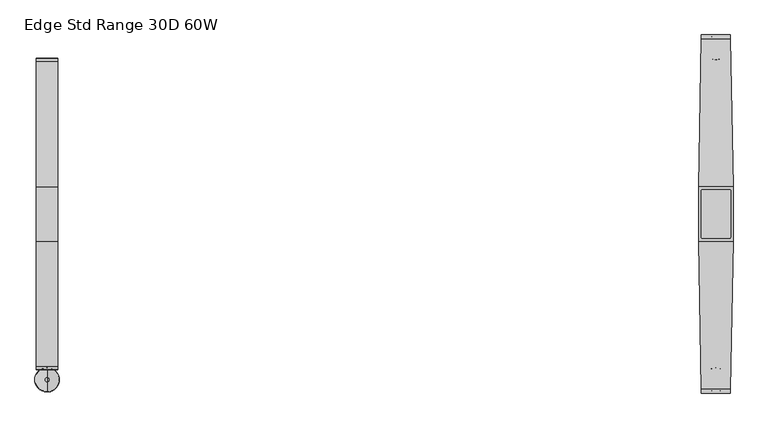
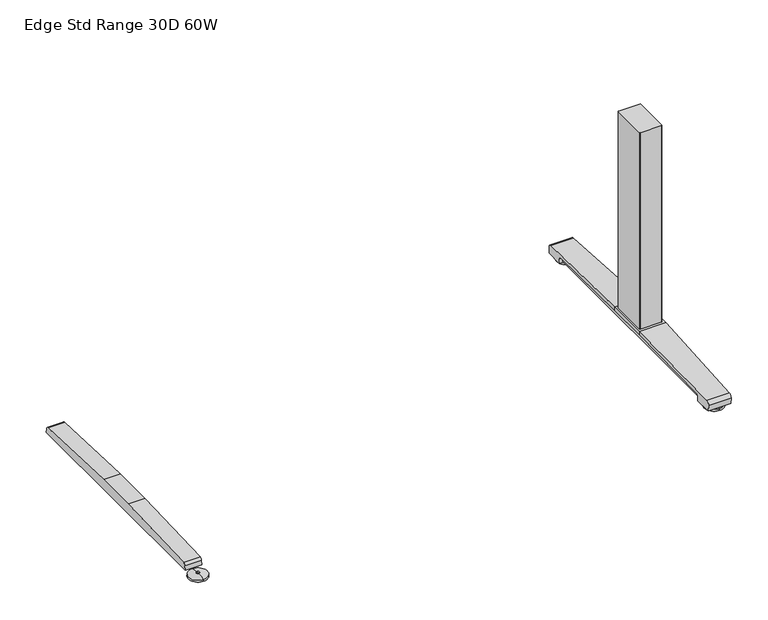
"""IFC4 building model written with IfcOpenShell, lengths in millimetres: furniture geometry, Edge Std Range 30D 60W."""

from ifc_helpers import new_model, si_unit, point, frame, frame_2d, origin, place, context, project, spatial, polyline, circle_curve, ellipse_curve, trimmed, segment, composite_curve, outline, extrude, source, transform, mapped, element, save
from ifc_brep_helpers import plane_surface, cylinder_surface, revolved_surface, advanced_brep


def edge_std_range_30d_60w_9026fa4e(model_context):
    return source(origin(), model_context, "Body", "SolidModel", [
        advanced_brep(
        [(-684.276, -364.1643617, 0.0), (-684.276, -313.9743384, 0.0), (-684.276, -339.06935, 0.0), (-684.276, -364.0796512, 5.0038001), (-684.276, -314.0590489, 5.0038001), (-684.276, -343.0698499, 8.4327997), (-684.276, -335.0688501, 8.4327997), (-684.276, -343.0698499, 10.0423733), (-684.276, -335.0688501, 10.0423733), (-684.276, -339.06935, 10.0423733)],
        [
            (0, 1, circle_curve(frame((-684.276, -339.06935, 0.0), z_axis=(0.0, 0.0, -1.0), x_axis=(0.0, 1.0, 0.0)), 25.0950117)),
            (1, 2),
            (2, 0),
            (1, 0, circle_curve(frame((-684.276, -339.06935, 0.0), z_axis=(0.0, 0.0, -1.0), x_axis=(0.0, 1.0, 0.0)), 25.0950117)),
            (3, 4, circle_curve(frame((-684.276, -339.06935, 5.0038001), z_axis=(0.0, 0.0, -1.0), x_axis=(0.0, 1.0, 0.0)), 25.0103012)),
            (4, 1),
            (0, 3),
            (4, 3, circle_curve(frame((-684.276, -339.06935, 5.0038001), z_axis=(0.0, 0.0, -1.0), x_axis=(0.0, 1.0, 0.0)), 25.0103012)),
            (5, 6, circle_curve(frame((-684.276, -339.06935, 8.4327997), z_axis=(0.0, 0.0, -1.0), x_axis=(0.0, 1.0, 0.0)), 4.0004999)),
            (6, 4, circle_curve(frame((-684.276, -335.0368668, -57.4502444), z_axis=(-1.0, 0.0, 0.0), x_axis=(0.0, 1.0, 0.0)), 65.8830518)),
            (3, 5, circle_curve(frame((-684.276, -343.1018333, -57.4502444), z_axis=(-1.0, 0.0, 0.0), x_axis=(0.0, -1.0, 0.0)), 65.8830518)),
            (6, 5, circle_curve(frame((-684.276, -339.06935, 8.4327997), z_axis=(0.0, 0.0, -1.0), x_axis=(0.0, 1.0, 0.0)), 4.0004999)),
            (7, 8, circle_curve(frame((-684.276, -339.06935, 10.0423733), z_axis=(0.0, 0.0, -1.0), x_axis=(0.0, 1.0, 0.0)), 4.0004999)),
            (8, 6),
            (5, 7),
            (8, 7, circle_curve(frame((-684.276, -339.06935, 10.0423733), z_axis=(0.0, 0.0, -1.0), x_axis=(0.0, 1.0, 0.0)), 4.0004999)),
            (9, 8),
            (7, 9),
        ],
        [
            plane_surface(frame((-684.276, -339.06935, 0.0), z_axis=(0.0, 0.0, -1.0), x_axis=(0.0, 1.0, 0.0))),
            revolved_surface(polyline([(-684.276, -313.9743384, 0.0), (-684.276, -314.0590489, 5.0038001)]), (-684.276, -339.06935, 0.0), (0.0, 0.0, 1.0)),
            revolved_surface(trimmed(ellipse_curve(frame((-684.276, -335.0368668, -57.4502444), z_axis=(1.0, 0.0, 0.0), x_axis=(0.0, 1.0, 0.0)), 65.8830518, 65.8830518), [point((-684.276, -314.0590489, 5.0038001))], [point((-684.276, -335.0688501, 8.4327997))], True, "CARTESIAN"), (-684.276, -339.06935, 0.0), (0.0, 0.0, 1.0)),
            cylinder_surface(frame((-684.276, -339.06935, 0.0), z_axis=(0.0, 0.0, 1.0), x_axis=(0.0, 1.0, 0.0)), 4.0004999),
            plane_surface(frame((-684.276, -339.06935, 10.0423733), z_axis=(0.0, 0.0, 1.0), x_axis=(0.0, 1.0, 0.0))),
        ],
        [
            (0, [[1, 2, 3]]),
            (0, [[4, -3, -2]]),
            (1, [[5, 6, -1, 7]]),
            (1, [[8, -7, -4, -6]]),
            (2, [[9, 10, -5, 11]]),
            (2, [[12, -11, -8, -10]]),
            (3, [[13, 14, -9, 15]]),
            (3, [[16, -15, -12, -14]]),
            (4, [[17, -13, 18]]),
            (4, [[-18, -16, -17]]),
        ],
    ),
        extrude(outline(composite_curve([segment(polyline([(317.3152602, 22.833301), (318.3038309, 11.5339019), (-318.3038309, 11.5339019), (-317.3152602, 22.833301)]), True, "CONTINUOUS"), segment(trimmed(circle_curve(frame_2d((-310.4929906, 22.2364289)), 6.8483297), [point((-317.3152602, 22.833301))], [point((-311.3603185, 29.0296138))], False, "CARTESIAN"), True, "CONTINUOUS"), segment(polyline([(-311.3603185, 29.0296138), (-56.1182127, 38.9541198), (56.1182127, 38.9541198), (311.3603185, 29.0296138)]), True, "CONTINUOUS"), segment(trimmed(circle_curve(frame_2d((310.4929906, 22.2364289)), 6.8483297), [point((311.3603185, 29.0296138))], [point((317.3152602, 22.833301))], False, "CARTESIAN"), True, "CONTINUOUS")], self_intersect=False)), frame((-706.2724, 0.0, 0.0), z_axis=(1.0, 0.0, 0.0), x_axis=(0.0, 1.0, 0.0)), (0.0, 0.0, 1.0), 43.9928),
        extrude(outline(composite_curve([segment(trimmed(circle_curve(frame_2d((711.8521079, 47.6421079)), 2.3323921), [point((711.8521079, 49.9745))], [point((714.1845, 47.6421079))], False, "CARTESIAN"), True, "CONTINUOUS"), segment(polyline([(714.1845, 47.6421079), (714.1845, -47.6421079)]), True, "CONTINUOUS"), segment(trimmed(circle_curve(frame_2d((711.8521079, -47.6421079)), 2.3323921), [point((714.1845, -47.6421079))], [point((711.8521079, -49.9745))], False, "CARTESIAN"), True, "CONTINUOUS"), segment(polyline([(711.8521079, -49.9745), (656.6998921, -49.9745)]), True, "CONTINUOUS"), segment(trimmed(circle_curve(frame_2d((656.6998921, -47.6421079)), 2.3323921), [point((656.6998921, -49.9745))], [point((654.3675, -47.6421079))], False, "CARTESIAN"), True, "CONTINUOUS"), segment(polyline([(654.3675, -47.6421079), (654.3675, 47.6421079)]), True, "CONTINUOUS"), segment(trimmed(circle_curve(frame_2d((656.6998921, 47.6421079)), 2.3323921), [point((654.3675, 47.6421079))], [point((656.6998921, 49.9745))], False, "CARTESIAN"), True, "CONTINUOUS"), segment(polyline([(656.6998921, 49.9745), (711.8521079, 49.9745)]), True, "CONTINUOUS")], self_intersect=False)), frame((0.0, 0.0, 48.10013), z_axis=(0.0, 0.0, 1.0), x_axis=(1.0, 0.0, 0.0)), (0.0, 0.0, 1.0), 550.9989485),
        advanced_brep(
        [(684.276, 314.8489737, 0.0), (684.276, 365.038997, 0.0), (684.276, 339.9439854, 0.0), (684.276, 314.9336842, 5.0038001), (684.276, 364.9542866, 5.0038001), (684.276, 335.9434855, 8.4327997), (684.276, 343.9444853, 8.4327997), (684.276, 335.9434855, 10.0423733), (684.276, 343.9444853, 10.0423733), (684.276, 339.9439854, 10.0423733)],
        [
            (0, 1, circle_curve(frame((684.276, 339.9439854, 0.0), z_axis=(0.0, 0.0, -1.0), x_axis=(0.0, 1.0, 0.0)), 25.0950117)),
            (1, 2),
            (2, 0),
            (1, 0, circle_curve(frame((684.276, 339.9439854, 0.0), z_axis=(0.0, 0.0, -1.0), x_axis=(0.0, 1.0, 0.0)), 25.0950117)),
            (3, 4, circle_curve(frame((684.276, 339.9439854, 5.0038001), z_axis=(0.0, 0.0, -1.0), x_axis=(0.0, 1.0, 0.0)), 25.0103012)),
            (4, 1),
            (0, 3),
            (4, 3, circle_curve(frame((684.276, 339.9439854, 5.0038001), z_axis=(0.0, 0.0, -1.0), x_axis=(0.0, 1.0, 0.0)), 25.0103012)),
            (5, 6, circle_curve(frame((684.276, 339.9439854, 8.4327997), z_axis=(0.0, 0.0, -1.0), x_axis=(0.0, 1.0, 0.0)), 4.0004999)),
            (6, 4, circle_curve(frame((684.276, 343.9764687, -57.4502444), z_axis=(-1.0, 0.0, 0.0), x_axis=(0.0, 1.0, 0.0)), 65.8830518)),
            (3, 5, circle_curve(frame((684.276, 335.9115021, -57.4502444), z_axis=(-1.0, 0.0, 0.0), x_axis=(0.0, -1.0, 0.0)), 65.8830518)),
            (6, 5, circle_curve(frame((684.276, 339.9439854, 8.4327997), z_axis=(0.0, 0.0, -1.0), x_axis=(0.0, 1.0, 0.0)), 4.0004999)),
            (7, 8, circle_curve(frame((684.276, 339.9439854, 10.0423733), z_axis=(0.0, 0.0, -1.0), x_axis=(0.0, 1.0, 0.0)), 4.0004999)),
            (8, 6),
            (5, 7),
            (8, 7, circle_curve(frame((684.276, 339.9439854, 10.0423733), z_axis=(0.0, 0.0, -1.0), x_axis=(0.0, 1.0, 0.0)), 4.0004999)),
            (9, 8),
            (7, 9),
        ],
        [
            plane_surface(frame((684.276, 339.9439854, 0.0), z_axis=(0.0, 0.0, -1.0), x_axis=(0.0, 1.0, 0.0))),
            revolved_surface(polyline([(684.276, 365.038997, 0.0), (684.276, 364.9542866, 5.0038001)]), (684.276, 339.9439854, 0.0), (0.0, 0.0, 1.0)),
            revolved_surface(trimmed(ellipse_curve(frame((684.276, 343.9764687, -57.4502444), z_axis=(1.0, 0.0, 0.0), x_axis=(0.0, 1.0, 0.0)), 65.8830518, 65.8830518), [point((684.276, 364.9542866, 5.0038001))], [point((684.276, 343.9444853, 8.4327997))], True, "CARTESIAN"), (684.276, 339.9439854, 0.0), (0.0, 0.0, 1.0)),
            cylinder_surface(frame((684.276, 339.9439854, 0.0), z_axis=(0.0, 0.0, 1.0), x_axis=(0.0, 1.0, 0.0)), 4.0004999),
            plane_surface(frame((684.276, 339.9439854, 10.0423733), z_axis=(0.0, 0.0, 1.0), x_axis=(0.0, 1.0, 0.0))),
        ],
        [
            (0, [[1, 2, 3]]),
            (0, [[4, -3, -2]]),
            (1, [[5, 6, -1, 7]]),
            (1, [[8, -7, -4, -6]]),
            (2, [[9, 10, -5, 11]]),
            (2, [[12, -11, -8, -10]]),
            (3, [[13, 14, -9, 15]]),
            (3, [[16, -15, -12, -14]]),
            (4, [[17, -13, 18]]),
            (4, [[-18, -16, -17]]),
        ],
    ),
        advanced_brep(
        [(684.276, -364.1643617, 0.0), (684.276, -313.9743384, 0.0), (684.276, -339.06935, 0.0), (684.276, -364.0796512, 5.0038001), (684.276, -314.0590489, 5.0038001), (684.276, -343.0698499, 8.4327997), (684.276, -335.0688501, 8.4327997), (684.276, -343.0698499, 10.0423733), (684.276, -335.0688501, 10.0423733), (684.276, -339.06935, 10.0423733)],
        [
            (0, 1, circle_curve(frame((684.276, -339.06935, 0.0), z_axis=(0.0, 0.0, -1.0), x_axis=(0.0, 1.0, 0.0)), 25.0950117)),
            (1, 2),
            (2, 0),
            (1, 0, circle_curve(frame((684.276, -339.06935, 0.0), z_axis=(0.0, 0.0, -1.0), x_axis=(0.0, 1.0, 0.0)), 25.0950117)),
            (3, 4, circle_curve(frame((684.276, -339.06935, 5.0038001), z_axis=(0.0, 0.0, -1.0), x_axis=(0.0, 1.0, 0.0)), 25.0103012)),
            (4, 1),
            (0, 3),
            (4, 3, circle_curve(frame((684.276, -339.06935, 5.0038001), z_axis=(0.0, 0.0, -1.0), x_axis=(0.0, 1.0, 0.0)), 25.0103012)),
            (5, 6, circle_curve(frame((684.276, -339.06935, 8.4327997), z_axis=(0.0, 0.0, -1.0), x_axis=(0.0, 1.0, 0.0)), 4.0004999)),
            (6, 4, circle_curve(frame((684.276, -335.0368668, -57.4502444), z_axis=(-1.0, 0.0, 0.0), x_axis=(0.0, 1.0, 0.0)), 65.8830518)),
            (3, 5, circle_curve(frame((684.276, -343.1018333, -57.4502444), z_axis=(-1.0, 0.0, 0.0), x_axis=(0.0, -1.0, 0.0)), 65.8830518)),
            (6, 5, circle_curve(frame((684.276, -339.06935, 8.4327997), z_axis=(0.0, 0.0, -1.0), x_axis=(0.0, 1.0, 0.0)), 4.0004999)),
            (7, 8, circle_curve(frame((684.276, -339.06935, 10.0423733), z_axis=(0.0, 0.0, -1.0), x_axis=(0.0, 1.0, 0.0)), 4.0004999)),
            (8, 6),
            (5, 7),
            (8, 7, circle_curve(frame((684.276, -339.06935, 10.0423733), z_axis=(0.0, 0.0, -1.0), x_axis=(0.0, 1.0, 0.0)), 4.0004999)),
            (9, 8),
            (7, 9),
        ],
        [
            plane_surface(frame((684.276, -339.06935, 0.0), z_axis=(0.0, 0.0, -1.0), x_axis=(0.0, 1.0, 0.0))),
            revolved_surface(polyline([(684.276, -313.9743384, 0.0), (684.276, -314.0590489, 5.0038001)]), (684.276, -339.06935, 0.0), (0.0, 0.0, 1.0)),
            revolved_surface(trimmed(ellipse_curve(frame((684.276, -335.0368668, -57.4502444), z_axis=(1.0, 0.0, 0.0), x_axis=(0.0, 1.0, 0.0)), 65.8830518, 65.8830518), [point((684.276, -314.0590489, 5.0038001))], [point((684.276, -335.0688501, 8.4327997))], True, "CARTESIAN"), (684.276, -339.06935, 0.0), (0.0, 0.0, 1.0)),
            cylinder_surface(frame((684.276, -339.06935, 0.0), z_axis=(0.0, 0.0, 1.0), x_axis=(0.0, 1.0, 0.0)), 4.0004999),
            plane_surface(frame((684.276, -339.06935, 10.0423733), z_axis=(0.0, 0.0, 1.0), x_axis=(0.0, 1.0, 0.0))),
        ],
        [
            (0, [[1, 2, 3]]),
            (0, [[4, -3, -2]]),
            (1, [[5, 6, -1, 7]]),
            (1, [[8, -7, -4, -6]]),
            (2, [[9, 10, -5, 11]]),
            (2, [[12, -11, -8, -10]]),
            (3, [[13, 14, -9, 15]]),
            (3, [[16, -15, -12, -14]]),
            (4, [[17, -13, 18]]),
            (4, [[-18, -16, -17]]),
        ],
    ),
        extrude(outline(polyline([(719.4068382, 56.1182127), (719.4068382, -56.1182127), (649.1451618, -56.1182127), (649.1451618, 56.1182127), (719.4068382, 56.1182127)])), frame((0.0, 0.0, 38.9541198), z_axis=(0.0, 0.0, 1.0), x_axis=(1.0, 0.0, 0.0)), (0.0, 0.0, 1.0), 9.1460102),
        advanced_brep(
        [(713.9505896, 366.395, 26.8186), (714.0822575, 358.907527, 35.7787117), (719.4068382, 56.1182127, 48.10013), (719.4068382, 56.1182127, 38.9541198), (714.91838, 311.3603185, 29.0296138), (714.8136618, 317.3152602, 22.833301), (714.7939845, 318.4342309, 10.0434261), (713.9760047, 364.9497362, 10.041053), (654.4701004, 358.907527, 35.7787117), (654.6017683, 366.395, 26.8186), (654.5763532, 364.9497362, 10.041053), (653.7583734, 318.4342309, 10.0434261), (653.7386962, 317.3152602, 22.833301), (653.6339779, 311.3603185, 29.0296138), (649.1455196, 56.1182064, 38.9541201), (649.1455197, 56.1182127, 48.10013)],
        [
            (0, 1, ellipse_curve(frame((714.095738, 358.1409412, 27.5296273), z_axis=(0.9998454179622464, 0.017582382657107536, 0.0), x_axis=(0.0175823826571035, -0.9998454179622464, 0.0)), 8.285908, 8.2846272)),
            (1, 2, ellipse_curve(frame((744.3288072, -1361.1024809, -38505.5680807), z_axis=(0.9998454179622464, 0.017582382657107536, 0.0), x_axis=(0.0175823826571035, -0.9998454179622464, 0.0)), 38585.6723619, 38579.7077101)),
            (2, 3),
            (3, 4),
            (4, 5, ellipse_curve(frame((714.9336321, 310.4929906, 22.2364289), z_axis=(-0.9998454179622464, -0.017582382657107536, 0.0), x_axis=(-0.0175823826571035, 0.9998454179622464, 0.0)), 6.8493884, 6.8483297)),
            (5, 6),
            (6, 7),
            (7, 0),
            (8, 9, ellipse_curve(frame((654.4566199, 358.1409412, 27.5296273), z_axis=(-0.9998454179622479, 0.01758238265702136, 0.0), x_axis=(0.017582382657016074, 0.9998454179622479, 0.0)), 8.285908, 8.2846272)),
            (9, 10),
            (10, 11),
            (11, 12),
            (12, 13, ellipse_curve(frame((653.6187259, 310.4929906, 22.2364289), z_axis=(0.9998454179622479, -0.01758238265702136, 0.0), x_axis=(-0.017582382657016074, -0.9998454179622479, 0.0)), 6.8493884, 6.8483297)),
            (13, 14),
            (14, 15),
            (15, 8, ellipse_curve(frame((624.2235507, -1361.1024809, -38505.5680807), z_axis=(-0.9998454179622479, 0.01758238265702136, 0.0), x_axis=(0.017582382657016074, 0.9998454179622479, 0.0)), 38585.6723619, 38579.7077101)),
            (0, 9),
            (8, 1),
            (7, 10),
            (6, 11),
            (5, 12),
            (4, 13),
            (3, 14),
            (2, 15),
        ],
        [
            plane_surface(frame((713.9226732, 367.9825, 48.10013), z_axis=(0.9998454179622464, 0.017582382657107536, 0.0), x_axis=(0.0, 0.0, -1.0))),
            plane_surface(frame((649.1455197, 56.1182127, 48.10013), z_axis=(-0.9998454179622479, 0.01758238265702136, 0.0), x_axis=(0.0, 0.0, -1.0))),
            cylinder_surface(frame((649.1451618, 358.1409412, 27.5296273), z_axis=(1.0, 0.0, 0.0), x_axis=(0.0, 1.0, 0.0)), 8.2846272),
            plane_surface(frame((719.4068382, 364.9497362, 10.041053), z_axis=(0.0, 0.996310236870306, -0.08582489095498451), x_axis=(-1.0, 0.0, 0.0))),
            plane_surface(frame((719.4068382, 318.4342309, 10.0434261), z_axis=(0.0, -5.101798419271786e-05, -0.9999999986985827), x_axis=(-1.0, 0.0, 0.0))),
            plane_surface(frame((719.4068382, 317.3152602, 22.833301), z_axis=(0.0, -0.9961946873837872, -0.08715586514009506), x_axis=(-1.0, 0.0, 0.0))),
            revolved_surface(polyline([(653.4982973321846, 317.3413203, 22.2364289), (715.0540606678159, 317.3413203, 22.2364289)]), (649.1451618, 310.4929906, 22.2364289), (-1.0, 0.0, 0.0)),
            plane_surface(frame((719.4068382, 56.1182127, 38.9541198), z_axis=(0.0, -0.03885335543744916, -0.9992449233152257), x_axis=(-1.0, 0.0, 0.0))),
            plane_surface(frame((719.4068382, 56.1182127, 48.10013), z_axis=(0.0, -1.0, 0.0), x_axis=(-1.0, 0.0, 0.0))),
            cylinder_surface(frame((649.1451618, -1361.1024809, -38505.5680807), z_axis=(1.0, 0.0, 0.0), x_axis=(0.0, 1.0, 0.0)), 38579.7077101),
        ],
        [
            (0, [[1, 2, 3, 4, 5, 6, 7, 8]]),
            (1, [[9, 10, 11, 12, 13, 14, 15, 16]]),
            (2, [[17, -9, 18, -1]]),
            (3, [[-17, -8, 19, -10]]),
            (4, [[-19, -7, 20, -11]]),
            (5, [[-20, -6, 21, -12]]),
            (6, [[-21, -5, 22, -13]]),
            (7, [[23, -14, -22, -4]]),
            (8, [[-23, -3, 24, -15]]),
            (9, [[-24, -2, -18, -16]]),
        ],
    ),
        extrude(outline(composite_curve([segment(polyline([(317.3152602, 22.833301), (318.3038309, 11.5339019), (-318.3038309, 11.5339019), (-317.3152602, 22.833301)]), True, "CONTINUOUS"), segment(trimmed(circle_curve(frame_2d((-310.4929906, 22.2364289)), 6.8483297), [point((-317.3152602, 22.833301))], [point((-311.3603185, 29.0296138))], False, "CARTESIAN"), True, "CONTINUOUS"), segment(polyline([(-311.3603185, 29.0296138), (-56.1182127, 38.9541198), (56.1182127, 38.9541198), (311.3603185, 29.0296138)]), True, "CONTINUOUS"), segment(trimmed(circle_curve(frame_2d((310.4929906, 22.2364289)), 6.8483297), [point((311.3603185, 29.0296138))], [point((317.3152602, 22.833301))], False, "CARTESIAN"), True, "CONTINUOUS")], self_intersect=False)), frame((662.2796, 0.0, 0.0), z_axis=(1.0, 0.0, 0.0), x_axis=(0.0, 1.0, 0.0)), (0.0, 0.0, 1.0), 43.9928),
        advanced_brep(
        [(714.0822575, -358.907527, 35.7787117), (654.4701004, -358.907527, 35.7787117), (654.6017683, -366.395, 26.8186), (713.9505896, -366.395, 26.8186), (654.5763532, -364.9497362, 10.041053), (713.9760047, -364.9497362, 10.041053), (653.7583734, -318.4342309, 10.0434261), (714.7939845, -318.4342309, 10.0434261), (653.7386962, -317.3152602, 22.833301), (714.8136618, -317.3152602, 22.833301), (653.6339779, -311.3603185, 29.0296138), (714.91838, -311.3603185, 29.0296138), (649.1451618, -56.1182127, 38.9541198), (719.4068382, -56.1182127, 38.9541198), (649.1455197, -56.1182127, 48.10013), (719.4068382, -56.1182127, 48.10013)],
        [
            (0, 1),
            (1, 2, ellipse_curve(frame((654.4566199, -358.1409412, 27.5296273), z_axis=(0.9998454179622465, 0.017582382657103688, 0.0), x_axis=(0.01758238265709472, -0.9998454179622466, 0.0)), 8.285908, 8.2846272)),
            (2, 3),
            (3, 0, ellipse_curve(frame((714.095738, -358.1409412, 27.5296273), z_axis=(-0.9998454179622464, 0.01758238265710631, 0.0), x_axis=(0.017582382657107924, 0.9998454179622464, 0.0)), 8.285908, 8.2846272)),
            (2, 4),
            (4, 5),
            (5, 3),
            (4, 6),
            (6, 7),
            (7, 5),
            (6, 8),
            (8, 9),
            (9, 7),
            (8, 10, ellipse_curve(frame((653.6187259, -310.4929906, 22.2364289), z_axis=(-0.9998454179622465, -0.017582382657103688, 0.0), x_axis=(-0.01758238265709472, 0.9998454179622466, 0.0)), 6.8493884, 6.8483297)),
            (10, 11),
            (11, 9, ellipse_curve(frame((714.9336321, -310.4929906, 22.2364289), z_axis=(0.9998454179622464, -0.01758238265710631, 0.0), x_axis=(-0.017582382657107924, -0.9998454179622464, 0.0)), 6.8493884, 6.8483297)),
            (12, 13),
            (13, 11),
            (10, 12),
            (12, 14),
            (14, 15),
            (15, 13),
            (15, 0, ellipse_curve(frame((744.3288072, 1361.1024809, -38505.568082), z_axis=(0.9998454179622464, -0.01758238265710631, 0.0), x_axis=(0.017582382657107924, 0.9998454179622464, 0.0)), 38585.6723633, 38579.7077114)),
            (1, 14, ellipse_curve(frame((624.2235507, 1361.1024809, -38505.568082), z_axis=(-0.9998454179622465, -0.017582382657103688, 0.0), x_axis=(0.01758238265709472, -0.9998454179622466, 0.0)), 38585.6723633, 38579.7077114)),
        ],
        [
            cylinder_surface(frame((649.1451618, -358.1409412, 27.5296273), z_axis=(1.0, 0.0, 0.0), x_axis=(0.0, 1.0, 0.0)), 8.2846272),
            plane_surface(frame((719.4068382, -366.395, 26.8186), z_axis=(0.0, -0.9963102368705575, -0.08582489095206428), x_axis=(-1.0, 0.0, 0.0))),
            plane_surface(frame((719.4068382, -364.9497362, 10.041053), z_axis=(0.0, 5.10179839128194e-05, -0.9999999986985827), x_axis=(-1.0, 0.0, 0.0))),
            plane_surface(frame((719.4068382, -318.4342309, 10.0434261), z_axis=(0.0, 0.9961946873837977, -0.08715586513997582), x_axis=(-1.0, 0.0, 0.0))),
            revolved_surface(polyline([(653.498297332184, -303.64466089999996, 22.2364289), (715.0540606678159, -303.64466089999996, 22.2364289)]), (649.1451618, -310.4929906, 22.2364289), (-1.0, 0.0, 0.0)),
            plane_surface(frame((719.4068382, -311.3603185, 29.0296138), z_axis=(0.0, 0.03885335543746911, -0.999244923315225), x_axis=(-1.0, 0.0, 0.0))),
            plane_surface(frame((719.4068382, -56.1182127, 38.9541198), z_axis=(0.0, 1.0, 0.0), x_axis=(-1.0, 0.0, 0.0))),
            plane_surface(frame((719.4068382, -56.1182127, 48.10013), z_axis=(0.9998454179622464, -0.01758238265710631, 0.0), x_axis=(0.0, 0.0, -1.0))),
            plane_surface(frame((654.6296847, -367.9825, 48.10013), z_axis=(-0.9998454179622465, -0.017582382657103688, 0.0), x_axis=(0.0, 0.0, -1.0))),
            cylinder_surface(frame((649.1451618, 1361.1024809, -38505.568082), z_axis=(1.0, 0.0, 0.0), x_axis=(0.0, 1.0, 0.0)), 38579.7077114),
        ],
        [
            (0, [[1, 2, 3, 4]]),
            (1, [[-3, 5, 6, 7]]),
            (2, [[-6, 8, 9, 10]]),
            (3, [[-9, 11, 12, 13]]),
            (4, [[-12, 14, 15, 16]]),
            (5, [[17, 18, -15, 19]]),
            (6, [[-17, 20, 21, 22]]),
            (7, [[-4, -7, -10, -13, -16, -18, -22, 23]]),
            (8, [[-2, 24, -20, -19, -14, -11, -8, -5]]),
            (9, [[-21, -24, -1, -23]]),
        ],
    ),
    ])


if __name__ == "__main__":
    model = new_model("IFC4")
    model_context = context("Model", 3, world=origin())
    ifc_project = project(units=[si_unit("LENGTHUNIT", "METRE", prefix="MILLI")], contexts=[model_context])
    site = spatial("IfcSite", under=ifc_project)
    building = spatial("IfcBuilding", under=site)
    placement = place(None, origin())
    edge_std_range_30d_60w_shape = edge_std_range_30d_60w_9026fa4e(model_context)
    element("IfcFurniture", 1, ObjectType="Edge Std Range 30D 60W", at=placement, inside=building, context=model_context, shape_type="MappedRepresentation", body=[
        mapped(edge_std_range_30d_60w_shape, transform((0.0, 0.0, 0.0), x_axis=(1.0, 0.0, 0.0), y_axis=(0.0, 1.0, 0.0), z_axis=(0.0, 0.0, 1.0))),
    ])
    save(model, "model.ifc")
